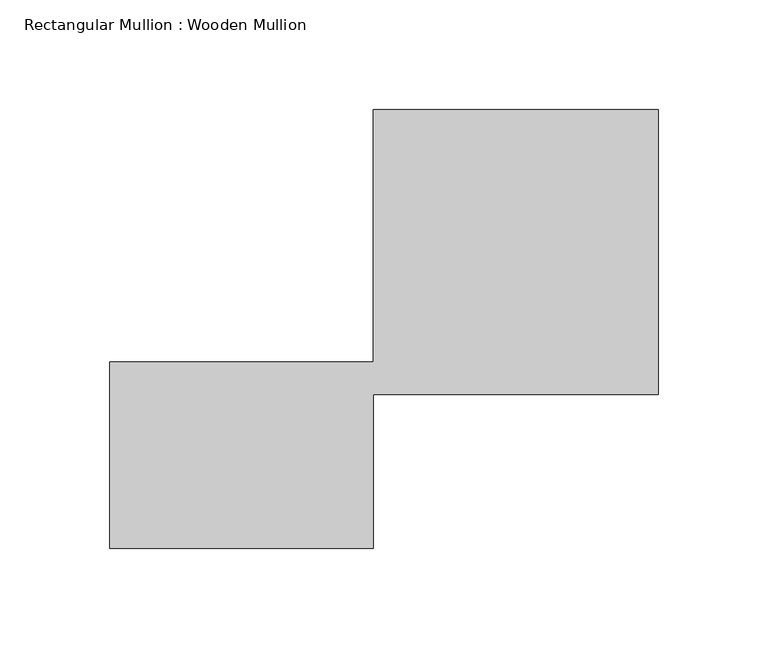
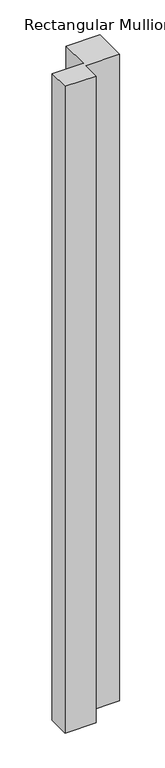
"""IFC4 building model written with IfcOpenShell, lengths in millimetres: member geometry, Rectangular Mullion : Wooden Mullion."""

import ifcopenshell
import ifcopenshell.guid

model = None  # the IFC model being written
_history = None  # IfcOwnerHistory: only IFC2X3 demands one
_inside = {}  # id of a spatial element -> (the spatial element, [elements in it])
_under = {}  # id of a project, library or spatial element -> (it, [spatial elements below it])
_declared = {}  # id of a project -> (the project, [libraries it declares])
_typed = {}  # id of a type object -> (the type object, [elements of that type])
_made_of = {}  # id of a material, layer set ... -> (it, [elements and type objects made of it])


def new_model(schema):
    """Start an empty IFC model of exactly this schema.

    Asked for "IFC4X3", IfcOpenShell would pick the latest addendum, in which some entities
    have other attributes; the version numbers below select the first issue.
    IFC2X3 requires an IfcOwnerHistory on every rooted entity: one is made here for all.
    """
    global model, _history
    if schema == "IFC4X3":
        model = ifcopenshell.file(schema_version=(4, 3, 0, 0))
    else:
        model = ifcopenshell.file(schema=schema)
    _inside.clear()
    _under.clear()
    _declared.clear()
    _typed.clear()
    _made_of.clear()
    _history = None
    if model.schema == "IFC2X3":
        org = make("IfcOrganization", Name="unknown")
        user = make(
            "IfcPersonAndOrganization",
            ThePerson=make("IfcPerson", FamilyName="unknown"),
            TheOrganization=org,
        )
        app = make(
            "IfcApplication",
            ApplicationDeveloper=org,
            Version="unknown",
            ApplicationFullName="unknown",
            ApplicationIdentifier="unknown",
        )
        _history = make(
            "IfcOwnerHistory",
            OwningUser=user,
            OwningApplication=app,
            ChangeAction="ADDED",
            CreationDate=0,
        )
    return model


def make(cls, **values):
    """One entity of the class cls with the attributes given. An attribute that is None is left unset."""
    return model.create_entity(
        cls, **{name: value for name, value in values.items() if value is not None}
    )


def rooted(cls, **values):
    """An entity with a GlobalId (a new one), such as an element, a storey or a relation."""
    return make(cls, GlobalId=ifcopenshell.guid.new(), OwnerHistory=_history, **values)


def si_unit(unit_type, name, prefix=None):
    """IfcSIUnit, for example si_unit("LENGTHUNIT", "METRE", prefix="MILLI")."""
    return make("IfcSIUnit", UnitType=unit_type, Prefix=prefix, Name=name)


def assignment(units):
    """IfcUnitAssignment: the units of a project."""
    return None if units is None else make("IfcUnitAssignment", Units=units)


def point(xyz):
    """IfcCartesianPoint."""
    return None if xyz is None else make("IfcCartesianPoint", Coordinates=xyz)


def direction(xyz):
    """IfcDirection."""
    return None if xyz is None else make("IfcDirection", DirectionRatios=xyz)


def frame(location, z_axis=None, x_axis=None):
    """IfcAxis2Placement3D, a coordinate frame: its origin and axes. An axis left out is left unset."""
    return make(
        "IfcAxis2Placement3D",
        Location=point(location),
        Axis=direction(z_axis),
        RefDirection=direction(x_axis),
    )


def origin():
    """The frame at (0, 0, 0) with its axes left unset."""
    return frame((0.0, 0.0, 0.0))


def place(relative_to, where):
    """IfcLocalPlacement: puts the frame where relative to a parent placement (None: the world)."""
    return make(
        "IfcLocalPlacement", PlacementRelTo=relative_to, RelativePlacement=where
    )


def context(
    kind, dimensions, precision=None, world=None, true_north=None, identifier=None
):
    """IfcGeometricRepresentationContext, for example the 3D "Model" context."""
    return make(
        "IfcGeometricRepresentationContext",
        ContextIdentifier=identifier,
        ContextType=kind,
        CoordinateSpaceDimension=dimensions,
        Precision=precision,
        WorldCoordinateSystem=world,
        TrueNorth=true_north,
    )


def project(units=None, contexts=None):
    """IfcProject with its units and contexts."""
    return rooted(
        "IfcProject",
        Name="project",
        RepresentationContexts=contexts,
        UnitsInContext=assignment(units),
    )


def spatial(cls, under=None, at=None, **own):
    """A site, building, storey or space (cls), placed at a placement, below another one or the project."""
    s = rooted(cls, ObjectPlacement=at, **own)
    if under is not None:
        _under.setdefault(under.id(), (under, []))[1].append(s)
    return s


def polyline(points):
    """IfcPolyline through the points."""
    return make("IfcPolyline", Points=[point(p) for p in points])


def outline(outer, holes=None, kind="AREA"):
    """IfcArbitraryClosedProfileDef: a profile drawn as a closed curve; with holes, ...WithVoids."""
    if holes is None:
        return make("IfcArbitraryClosedProfileDef", ProfileType=kind, OuterCurve=outer)
    return make(
        "IfcArbitraryProfileDefWithVoids",
        ProfileType=kind,
        OuterCurve=outer,
        InnerCurves=holes,
    )


def extrude(swept, where, along, depth):
    """IfcExtrudedAreaSolid: the profile swept, set in the frame where, extruded along a direction by depth."""
    return make(
        "IfcExtrudedAreaSolid",
        SweptArea=swept,
        Position=where,
        ExtrudedDirection=direction(along),
        Depth=depth,
    )


def shape(context_of_items, identifier, shape_type, items):
    """IfcShapeRepresentation: the items that make up one representation, for example the "Body"."""
    return make(
        "IfcShapeRepresentation",
        ContextOfItems=context_of_items,
        RepresentationIdentifier=identifier,
        RepresentationType=shape_type,
        Items=items,
    )


def source(mapping_origin, context_of_items, identifier, shape_type, items):
    """IfcRepresentationMap: a shape defined once, which mapped items show again and again."""
    return make(
        "IfcRepresentationMap",
        MappingOrigin=mapping_origin,
        MappedRepresentation=shape(context_of_items, identifier, shape_type, items),
    )


def transform(
    local_origin,
    x_axis=None,
    y_axis=None,
    z_axis=None,
    scale=None,
    scale2=None,
    scale3=None,
    uniform=True,
):
    """IfcCartesianTransformationOperator3D, or its non-uniform kind. x_axis, y_axis, z_axis: its Axis1, 2, 3."""
    if uniform:
        return make(
            "IfcCartesianTransformationOperator3D",
            Axis1=direction(x_axis),
            Axis2=direction(y_axis),
            LocalOrigin=point(local_origin),
            Scale=scale,
            Axis3=direction(z_axis),
        )
    return make(
        "IfcCartesianTransformationOperator3DnonUniform",
        Axis1=direction(x_axis),
        Axis2=direction(y_axis),
        LocalOrigin=point(local_origin),
        Scale=scale,
        Axis3=direction(z_axis),
        Scale2=scale2,
        Scale3=scale3,
    )


def mapped(mapping_source, mapping_target):
    """IfcMappedItem: shows the shape of a source again, moved by a transform."""
    return make(
        "IfcMappedItem", MappingSource=mapping_source, MappingTarget=mapping_target
    )


def made_of(thing, what):
    """Note that an element or type object is made of a material, layer set ...; save() writes the relation."""
    if what is not None:
        _made_of.setdefault(what.id(), (what, []))[1].append(thing)
    return thing


def element(
    cls,
    number,
    at=None,
    inside=None,
    cuts=None,
    type_object=None,
    material=None,
    context=None,
    identifier="Body",
    shape_type=None,
    held_by="IfcProductDefinitionShape",
    body=None,
    shapes=None,
    **own,
):
    """One element of the class cls, such as IfcWall. Its Tag is "e" and its number.

    at: its placement. inside: the storey or other place that contains it. cuts: it is an
    opening in that element (IfcRelVoidsElement). A single representation is given by context,
    identifier, shape_type and body (its items); several are given by shapes. held_by: the class
    of the entity that holds the representations. save() writes the other relations.
    """
    e = rooted(cls, Tag="e%d" % number, ObjectPlacement=at, **own)
    if body is not None:
        shapes = [shape(context, identifier, shape_type, body)]
    if shapes is not None:
        e.Representation = make(held_by, Representations=shapes)
    if inside is not None:
        _inside.setdefault(inside.id(), (inside, []))[1].append(e)
    if cuts is not None:
        rooted(
            "IfcRelVoidsElement", RelatingBuildingElement=cuts, RelatedOpeningElement=e
        )
    if type_object is not None:
        _typed.setdefault(type_object.id(), (type_object, []))[1].append(e)
    return made_of(e, material)


def aggregate(whole, parts):
    """IfcRelAggregates: a whole, such as a stair, and the parts it consists of."""
    return rooted("IfcRelAggregates", RelatingObject=whole, RelatedObjects=parts)


def save(model, path):
    """Write the relations noted so far, then the file.

    IfcRelAggregates (storeys below a building ...), IfcRelContainedInSpatialStructure (elements
    in a storey), IfcRelDefinesByType, IfcRelAssociatesMaterial and IfcRelDeclares: one each for
    every whole, place, type object, material and project.
    """
    for whole, parts in _under.values():
        aggregate(whole, parts)
    for where, things in _inside.values():
        rooted(
            "IfcRelContainedInSpatialStructure",
            RelatedElements=things,
            RelatingStructure=where,
        )
    for kind, things in _typed.values():
        rooted("IfcRelDefinesByType", RelatedObjects=things, RelatingType=kind)
    for what, things in _made_of.values():
        rooted("IfcRelAssociatesMaterial", RelatedObjects=things, RelatingMaterial=what)
    for by, libraries in _declared.values():
        rooted("IfcRelDeclares", RelatingContext=by, RelatedDefinitions=libraries)
    model.write(path)


def rectangular_mullion_wooden_mullion_d40c0e5f(model_context):
    return source(origin(), model_context, "Body", "SweptSolid", [
        extrude(outline(polyline([(74.8100006, -26.0137344), (-45.1899994, -26.0137344), (-45.1899994, 58.9862656), (74.8100006, 58.9862656), (74.8100006, 173.9862656), (204.8100006, 173.9862656), (204.8100006, 43.9862656), (74.8100006, 43.9862656), (74.8100006, -26.0137344)])), frame((0.0, 0.0, -2616.9670408), z_axis=(0.0, 0.0, 1.0), x_axis=(1.0, 0.0, 0.0)), (0.0, 0.0, 1.0), 2616.9670408),
    ])


if __name__ == "__main__":
    model = new_model("IFC4")
    model_context = context("Model", 3, world=origin())
    ifc_project = project(units=[si_unit("LENGTHUNIT", "METRE", prefix="MILLI")], contexts=[model_context])
    site = spatial("IfcSite", under=ifc_project)
    building = spatial("IfcBuilding", under=site)
    placement = place(None, origin())
    rectangular_mullion_wooden_mullion_shape = rectangular_mullion_wooden_mullion_d40c0e5f(model_context)
    element("IfcMember", 1, ObjectType="Rectangular Mullion : Wooden Mullion", at=placement, inside=building, context=model_context, shape_type="MappedRepresentation", body=[
        mapped(rectangular_mullion_wooden_mullion_shape, transform((0.0, 0.0, 0.0), x_axis=(1.0, 0.0, 0.0), y_axis=(0.0, 1.0, 0.0), z_axis=(0.0, 0.0, 1.0))),
    ])
    save(model, "model.ifc")
